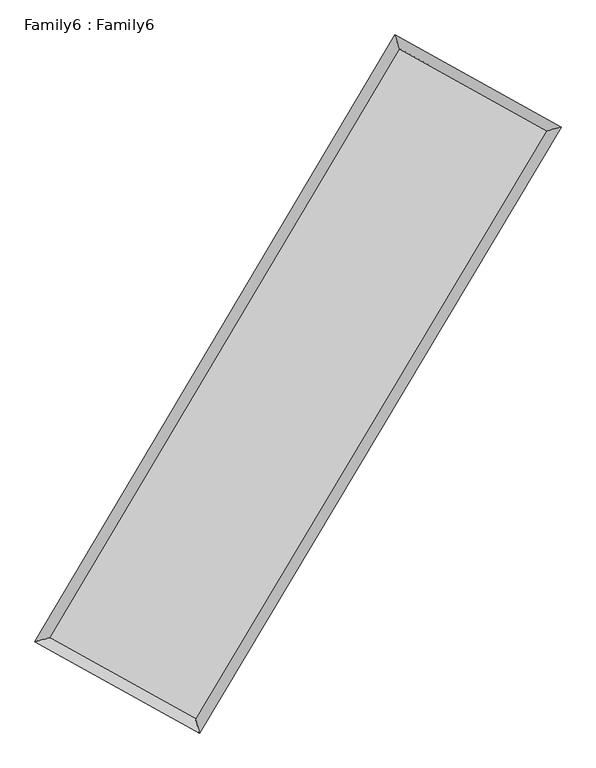
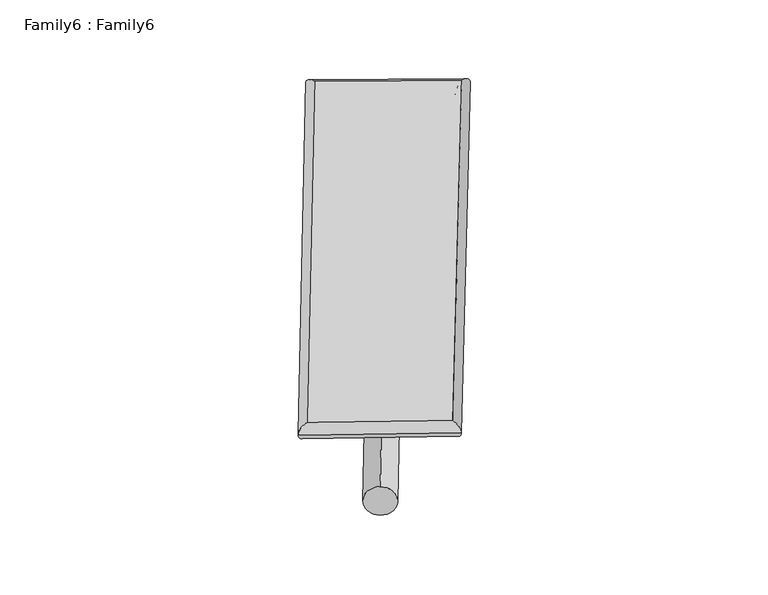
"""IFC4 building model written with IfcOpenShell, lengths in millimetres: plate geometry, Family6 : Family6."""

import ifcopenshell
import ifcopenshell.guid

model = None  # the IFC model being written
_history = None  # IfcOwnerHistory: only IFC2X3 demands one
_inside = {}  # id of a spatial element -> (the spatial element, [elements in it])
_under = {}  # id of a project, library or spatial element -> (it, [spatial elements below it])
_declared = {}  # id of a project -> (the project, [libraries it declares])
_typed = {}  # id of a type object -> (the type object, [elements of that type])
_made_of = {}  # id of a material, layer set ... -> (it, [elements and type objects made of it])


def new_model(schema):
    """Start an empty IFC model of exactly this schema.

    Asked for "IFC4X3", IfcOpenShell would pick the latest addendum, in which some entities
    have other attributes; the version numbers below select the first issue.
    IFC2X3 requires an IfcOwnerHistory on every rooted entity: one is made here for all.
    """
    global model, _history
    if schema == "IFC4X3":
        model = ifcopenshell.file(schema_version=(4, 3, 0, 0))
    else:
        model = ifcopenshell.file(schema=schema)
    _inside.clear()
    _under.clear()
    _declared.clear()
    _typed.clear()
    _made_of.clear()
    _history = None
    if model.schema == "IFC2X3":
        org = make("IfcOrganization", Name="unknown")
        user = make(
            "IfcPersonAndOrganization",
            ThePerson=make("IfcPerson", FamilyName="unknown"),
            TheOrganization=org,
        )
        app = make(
            "IfcApplication",
            ApplicationDeveloper=org,
            Version="unknown",
            ApplicationFullName="unknown",
            ApplicationIdentifier="unknown",
        )
        _history = make(
            "IfcOwnerHistory",
            OwningUser=user,
            OwningApplication=app,
            ChangeAction="ADDED",
            CreationDate=0,
        )
    return model


def make(cls, **values):
    """One entity of the class cls with the attributes given. An attribute that is None is left unset."""
    return model.create_entity(
        cls, **{name: value for name, value in values.items() if value is not None}
    )


def rooted(cls, **values):
    """An entity with a GlobalId (a new one), such as an element, a storey or a relation."""
    return make(cls, GlobalId=ifcopenshell.guid.new(), OwnerHistory=_history, **values)


def si_unit(unit_type, name, prefix=None):
    """IfcSIUnit, for example si_unit("LENGTHUNIT", "METRE", prefix="MILLI")."""
    return make("IfcSIUnit", UnitType=unit_type, Prefix=prefix, Name=name)


def assignment(units):
    """IfcUnitAssignment: the units of a project."""
    return None if units is None else make("IfcUnitAssignment", Units=units)


def point(xyz):
    """IfcCartesianPoint."""
    return None if xyz is None else make("IfcCartesianPoint", Coordinates=xyz)


def direction(xyz):
    """IfcDirection."""
    return None if xyz is None else make("IfcDirection", DirectionRatios=xyz)


def frame(location, z_axis=None, x_axis=None):
    """IfcAxis2Placement3D, a coordinate frame: its origin and axes. An axis left out is left unset."""
    return make(
        "IfcAxis2Placement3D",
        Location=point(location),
        Axis=direction(z_axis),
        RefDirection=direction(x_axis),
    )


def frame_2d(location, x_axis=None):
    """IfcAxis2Placement2D, a coordinate frame in the plane: its origin and x axis."""
    return make(
        "IfcAxis2Placement2D", Location=point(location), RefDirection=direction(x_axis)
    )


def origin():
    """The frame at (0, 0, 0) with its axes left unset."""
    return frame((0.0, 0.0, 0.0))


def origin_2d():
    """The frame at (0, 0) in the plane with its x axis left unset."""
    return frame_2d((0.0, 0.0))


def place(relative_to, where):
    """IfcLocalPlacement: puts the frame where relative to a parent placement (None: the world)."""
    return make(
        "IfcLocalPlacement", PlacementRelTo=relative_to, RelativePlacement=where
    )


def context(
    kind, dimensions, precision=None, world=None, true_north=None, identifier=None
):
    """IfcGeometricRepresentationContext, for example the 3D "Model" context."""
    return make(
        "IfcGeometricRepresentationContext",
        ContextIdentifier=identifier,
        ContextType=kind,
        CoordinateSpaceDimension=dimensions,
        Precision=precision,
        WorldCoordinateSystem=world,
        TrueNorth=true_north,
    )


def project(units=None, contexts=None):
    """IfcProject with its units and contexts."""
    return rooted(
        "IfcProject",
        Name="project",
        RepresentationContexts=contexts,
        UnitsInContext=assignment(units),
    )


def spatial(cls, under=None, at=None, **own):
    """A site, building, storey or space (cls), placed at a placement, below another one or the project."""
    s = rooted(cls, ObjectPlacement=at, **own)
    if under is not None:
        _under.setdefault(under.id(), (under, []))[1].append(s)
    return s


def circle_curve(where, radius):
    """IfcCircle in the frame where."""
    return make("IfcCircle", Position=where, Radius=radius)


def ellipse_curve(where, semi_axis1, semi_axis2):
    """IfcEllipse in the frame where."""
    return make(
        "IfcEllipse", Position=where, SemiAxis1=semi_axis1, SemiAxis2=semi_axis2
    )


def trimmed(basis, trim1, trim2, sense, master):
    """IfcTrimmedCurve: the piece of a basis curve between two trims."""
    return make(
        "IfcTrimmedCurve",
        BasisCurve=basis,
        Trim1=trim1,
        Trim2=trim2,
        SenseAgreement=sense,
        MasterRepresentation=master,
    )


def segment(curve, same_sense, transition):
    """IfcCompositeCurveSegment."""
    return make(
        "IfcCompositeCurveSegment",
        Transition=transition,
        SameSense=same_sense,
        ParentCurve=curve,
    )


def composite_curve(segments, self_intersect=None):
    """IfcCompositeCurve: segments joined end to end."""
    return make("IfcCompositeCurve", Segments=segments, SelfIntersect=self_intersect)


def outline(outer, holes=None, kind="AREA"):
    """IfcArbitraryClosedProfileDef: a profile drawn as a closed curve; with holes, ...WithVoids."""
    if holes is None:
        return make("IfcArbitraryClosedProfileDef", ProfileType=kind, OuterCurve=outer)
    return make(
        "IfcArbitraryProfileDefWithVoids",
        ProfileType=kind,
        OuterCurve=outer,
        InnerCurves=holes,
    )


def extrude(swept, where, along, depth):
    """IfcExtrudedAreaSolid: the profile swept, set in the frame where, extruded along a direction by depth."""
    return make(
        "IfcExtrudedAreaSolid",
        SweptArea=swept,
        Position=where,
        ExtrudedDirection=direction(along),
        Depth=depth,
    )


def shape(context_of_items, identifier, shape_type, items):
    """IfcShapeRepresentation: the items that make up one representation, for example the "Body"."""
    return make(
        "IfcShapeRepresentation",
        ContextOfItems=context_of_items,
        RepresentationIdentifier=identifier,
        RepresentationType=shape_type,
        Items=items,
    )


def source(mapping_origin, context_of_items, identifier, shape_type, items):
    """IfcRepresentationMap: a shape defined once, which mapped items show again and again."""
    return make(
        "IfcRepresentationMap",
        MappingOrigin=mapping_origin,
        MappedRepresentation=shape(context_of_items, identifier, shape_type, items),
    )


def transform(
    local_origin,
    x_axis=None,
    y_axis=None,
    z_axis=None,
    scale=None,
    scale2=None,
    scale3=None,
    uniform=True,
):
    """IfcCartesianTransformationOperator3D, or its non-uniform kind. x_axis, y_axis, z_axis: its Axis1, 2, 3."""
    if uniform:
        return make(
            "IfcCartesianTransformationOperator3D",
            Axis1=direction(x_axis),
            Axis2=direction(y_axis),
            LocalOrigin=point(local_origin),
            Scale=scale,
            Axis3=direction(z_axis),
        )
    return make(
        "IfcCartesianTransformationOperator3DnonUniform",
        Axis1=direction(x_axis),
        Axis2=direction(y_axis),
        LocalOrigin=point(local_origin),
        Scale=scale,
        Axis3=direction(z_axis),
        Scale2=scale2,
        Scale3=scale3,
    )


def mapped(mapping_source, mapping_target):
    """IfcMappedItem: shows the shape of a source again, moved by a transform."""
    return make(
        "IfcMappedItem", MappingSource=mapping_source, MappingTarget=mapping_target
    )


def made_of(thing, what):
    """Note that an element or type object is made of a material, layer set ...; save() writes the relation."""
    if what is not None:
        _made_of.setdefault(what.id(), (what, []))[1].append(thing)
    return thing


def element(
    cls,
    number,
    at=None,
    inside=None,
    cuts=None,
    type_object=None,
    material=None,
    context=None,
    identifier="Body",
    shape_type=None,
    held_by="IfcProductDefinitionShape",
    body=None,
    shapes=None,
    **own,
):
    """One element of the class cls, such as IfcWall. Its Tag is "e" and its number.

    at: its placement. inside: the storey or other place that contains it. cuts: it is an
    opening in that element (IfcRelVoidsElement). A single representation is given by context,
    identifier, shape_type and body (its items); several are given by shapes. held_by: the class
    of the entity that holds the representations. save() writes the other relations.
    """
    e = rooted(cls, Tag="e%d" % number, ObjectPlacement=at, **own)
    if body is not None:
        shapes = [shape(context, identifier, shape_type, body)]
    if shapes is not None:
        e.Representation = make(held_by, Representations=shapes)
    if inside is not None:
        _inside.setdefault(inside.id(), (inside, []))[1].append(e)
    if cuts is not None:
        rooted(
            "IfcRelVoidsElement", RelatingBuildingElement=cuts, RelatedOpeningElement=e
        )
    if type_object is not None:
        _typed.setdefault(type_object.id(), (type_object, []))[1].append(e)
    return made_of(e, material)


def aggregate(whole, parts):
    """IfcRelAggregates: a whole, such as a stair, and the parts it consists of."""
    return rooted("IfcRelAggregates", RelatingObject=whole, RelatedObjects=parts)


def save(model, path):
    """Write the relations noted so far, then the file.

    IfcRelAggregates (storeys below a building ...), IfcRelContainedInSpatialStructure (elements
    in a storey), IfcRelDefinesByType, IfcRelAssociatesMaterial and IfcRelDeclares: one each for
    every whole, place, type object, material and project.
    """
    for whole, parts in _under.values():
        aggregate(whole, parts)
    for where, things in _inside.values():
        rooted(
            "IfcRelContainedInSpatialStructure",
            RelatedElements=things,
            RelatingStructure=where,
        )
    for kind, things in _typed.values():
        rooted("IfcRelDefinesByType", RelatedObjects=things, RelatingType=kind)
    for what, things in _made_of.values():
        rooted("IfcRelAssociatesMaterial", RelatedObjects=things, RelatingMaterial=what)
    for by, libraries in _declared.values():
        rooted("IfcRelDeclares", RelatingContext=by, RelatedDefinitions=libraries)
    model.write(path)


def plane_surface(at):
    """IfcPlane: the flat surface through the origin of the frame at, square to its z axis."""
    return make("IfcPlane", Position=at)


def cylinder_surface(at, radius):
    """IfcCylindricalSurface: all points at the distance radius from the z axis of the frame at."""
    return make("IfcCylindricalSurface", Position=at, Radius=radius)


def spline_surface(u_degree, v_degree, points, u_multiplicities, v_multiplicities, u_knots, v_knots, weights=None):
    """IfcBSplineSurfaceWithKnots; with weights, IfcRationalBSplineSurfaceWithKnots. points: one row for each step in u."""
    own = dict(
        UDegree=u_degree,
        VDegree=v_degree,
        ControlPointsList=[[point(p) for p in row] for row in points],
        SurfaceForm="UNSPECIFIED",
        UClosed=False,
        VClosed=False,
        SelfIntersect=False,
        UMultiplicities=u_multiplicities,
        VMultiplicities=v_multiplicities,
        UKnots=u_knots,
        VKnots=v_knots,
        KnotSpec="UNSPECIFIED",
    )
    if weights is None:
        return make("IfcBSplineSurfaceWithKnots", **own)
    return make("IfcRationalBSplineSurfaceWithKnots", WeightsData=weights, **own)


def advanced_brep(points, edges, surfaces, faces):
    """IfcAdvancedBrep: a solid bounded by faces that lie on surfaces and meet in shared edges.

    An edge is (start, end): straight between two places in points (the first is 0);
    or (start, end, curve); or (start, end, curve, False) where it runs against its curve.
    A face is (place in surfaces, loops), or (place, loops, False) where it looks against
    its surface's normal. A loop lists edges by number (the first is 1), with a minus sign
    where the edge is run from its end to its start. The first loop is the outer one.
    """
    corners = [point(p) for p in points]
    vertices = [make("IfcVertexPoint", VertexGeometry=c) for c in corners]
    made = []
    for start, end, *more in edges:
        made.append(
            make(
                "IfcEdgeCurve",
                EdgeStart=vertices[start],
                EdgeEnd=vertices[end],
                EdgeGeometry=more[0] if more else make("IfcPolyline", Points=[corners[start], corners[end]]),
                SameSense=more[1] if len(more) > 1 else True,
            )
        )
    hull = []
    for where, loops, *sense in faces:
        bounds = []
        for j, loop in enumerate(loops):
            ring = [make("IfcOrientedEdge", EdgeElement=made[abs(k) - 1], Orientation=k > 0) for k in loop]
            bounds.append(
                make(
                    "IfcFaceOuterBound" if j == 0 else "IfcFaceBound",
                    Bound=make("IfcEdgeLoop", EdgeList=ring),
                    Orientation=True,
                )
            )
        hull.append(make("IfcAdvancedFace", Bounds=bounds, FaceSurface=surfaces[where], SameSense=sense[0] if sense else True))
    return make("IfcAdvancedBrep", Outer=make("IfcClosedShell", CfsFaces=hull))


def family6_family6_59e010dd(model_context):
    return source(origin(), model_context, "Body", "SolidModel", [
        extrude(outline(composite_curve([segment(trimmed(circle_curve(origin_2d(), 76.2), [point((-75.4341514, -10.7763074))], [point((75.4341514, 10.7763074))], False, "CARTESIAN"), True, "CONTINUOUS"), segment(trimmed(circle_curve(origin_2d(), 76.2), [point((75.4341514, 10.7763074))], [point((-75.4341514, -10.7763074))], False, "CARTESIAN"), True, "CONTINUOUS")], self_intersect=False)), frame((9144.0, 9144.0, 0.0), z_axis=(0.6758118636758191, 0.685569565758876, 0.27068929683347775), x_axis=(-0.6774974310205159, 0.7224238464006809, -0.1382064293448278)), (0.0, 0.0, 1.0), 5602.5136506),
        extrude(outline(composite_curve([segment(trimmed(circle_curve(origin_2d(), 76.2), [point((-53.8815367, 53.8815367))], [point((53.8815367, -53.8815367))], False, "CARTESIAN"), True, "CONTINUOUS"), segment(trimmed(circle_curve(origin_2d(), 76.2), [point((53.8815367, -53.8815367))], [point((-53.8815367, 53.8815367))], False, "CARTESIAN"), True, "CONTINUOUS")], self_intersect=False)), frame((9144.0, 9144.0, 0.0), z_axis=(-0.6743221811814417, -0.6870132030666688, 0.2707442608418119), x_axis=(0.6397855085287936, -0.3604688928159867, 0.6787758690382045)), (0.0, 0.0, 1.0), 5600.9750406),
        extrude(outline(composite_curve([segment(trimmed(circle_curve(origin_2d(), 76.2), [point((-53.8815367, -53.8815367))], [point((53.8815367, 53.8815367))], False, "CARTESIAN"), True, "CONTINUOUS"), segment(trimmed(circle_curve(origin_2d(), 76.2), [point((53.8815367, 53.8815367))], [point((-53.8815367, -53.8815367))], False, "CARTESIAN"), True, "CONTINUOUS")], self_intersect=False)), frame((9144.0, 9144.0, 0.0), z_axis=(0.27743200131910734, 0.9201807011062115, 0.27622266734603085), x_axis=(-0.8396648767780401, 0.3719526516637216, -0.3957450184470361)), (0.0, 0.0, 1.0), 5533.1061017),
        extrude(outline(composite_curve([segment(trimmed(circle_curve(origin_2d(), 76.2), [point((-75.4341514, 10.7763074))], [point((75.4341514, -10.7763074))], False, "CARTESIAN"), True, "CONTINUOUS"), segment(trimmed(circle_curve(origin_2d(), 76.2), [point((75.4341514, -10.7763074))], [point((-75.4341514, 10.7763074))], False, "CARTESIAN"), True, "CONTINUOUS")], self_intersect=False)), frame((9144.0, 9144.0, 0.0), z_axis=(-0.27941963521202706, -0.9195422020805923, 0.2763454469513711), x_axis=(0.8766923917579821, -0.12695645779432574, 0.4639962371161934)), (0.0, 0.0, 1.0), 5530.4747183),
        advanced_brep(
        [(5155.9245869, 5238.9338253, 1517.3533994), (5578.356682, 5353.1853865, 1517.6362327), (5578.3520008, 5353.1785688, 1515.5102954), (10734.4545655, 14030.3515806, 1527.0976003), (10623.6668331, 14440.5633234, 1529.6410519), (5155.9199057, 5238.9270076, 1515.227462), (12718.7701166, 12928.0540529, 1516.6710172), (13141.7202663, 13041.7716482, 1516.4099439), (7543.5184716, 4263.3508144, 1528.1066354), (7653.8350718, 3853.6393836, 1528.5363803)],
        [
            (0, 1, ellipse_curve(frame((5367.1382939, 5296.056197, 1516.4318474), z_axis=(-0.2610785286643572, 0.9653142739526408, -0.0025207883172624758), x_axis=(-0.9653067742112483, -0.2610870674127254, -0.0040465901320833955)), 218.8115863, 152.4)),
            (1, 2, ellipse_curve(frame((5367.1382939, 5296.056197, 1516.4318474), z_axis=(-0.2610785286643572, 0.9653142739526408, -0.0025207883172624758), x_axis=(-0.9653067742112483, -0.2610870674127254, -0.0040465901320833955)), 218.8115863, 152.4)),
            (2, 3),
            (3, 4, ellipse_curve(frame((10679.0606993, 14235.457452, 1528.3693261), z_axis=(-0.9654044477149798, -0.26074601624598226, 0.0024015295094766465), x_axis=(0.26073500281708767, -0.9654016176199679, -0.004120073145302325)), 212.4586182, 152.4)),
            (4, 0),
            (2, 5, ellipse_curve(frame((5367.1382939, 5296.056197, 1516.4318474), z_axis=(-0.2610785286643572, 0.9653142739526408, -0.0025207883172624758), x_axis=(-0.9653067742112483, -0.2610870674127254, -0.0040465901320833955)), 218.8115863, 152.4)),
            (5, 0, ellipse_curve(frame((5367.1382939, 5296.056197, 1516.4318474), z_axis=(-0.2610785286643572, 0.9653142739526408, -0.0025207883172624758), x_axis=(-0.9653067742112483, -0.2610870674127254, -0.0040465901320833955)), 218.8115863, 152.4)),
            (4, 3, ellipse_curve(frame((10679.0606993, 14235.457452, 1528.3693261), z_axis=(-0.9654044477149798, -0.26074601624598226, 0.0024015295094766465), x_axis=(0.26073500281708767, -0.9654016176199679, -0.004120073145302325)), 212.4586182, 152.4)),
            (3, 6),
            (6, 7, ellipse_curve(frame((12930.2451915, 12984.9128506, 1516.5404806), z_axis=(-0.25964422246007673, 0.9657011428614696, 0.0024860448816851634), x_axis=(-0.9656938773519769, -0.25965253325201004, 0.003987131891325843)), 218.986836, 152.4)),
            (7, 4),
            (7, 6, ellipse_curve(frame((12930.2451915, 12984.9128506, 1516.5404806), z_axis=(-0.25964422246007673, 0.9657011428614696, 0.0024860448816851634), x_axis=(-0.9656938773519769, -0.25965253325201004, 0.003987131891325843)), 218.986836, 152.4)),
            (6, 8),
            (8, 9, ellipse_curve(frame((7598.6767717, 4058.495099, 1528.3215079), z_axis=(0.9656064783132712, 0.25999635505879043, 0.0024544644192590454), x_axis=(-0.2599850181171927, 0.9656036756419635, -0.0041631648217474605)), 212.1526981, 152.4)),
            (9, 7),
            (9, 8, ellipse_curve(frame((7598.6767717, 4058.495099, 1528.3215079), z_axis=(0.9656064783132712, 0.25999635505879043, 0.0024544644192590454), x_axis=(-0.2599850181171927, 0.9656036756419635, -0.0041631648217474605)), 212.1526981, 152.4)),
            (8, 1),
            (5, 9),
        ],
        [
            cylinder_surface(frame((5367.1382939, 5296.056197, 1516.4318474), z_axis=(-0.5108336652499432, -0.8596788054572125, -0.0011479960666999512), x_axis=(-0.8596611449297097, 0.5108135168822153, 0.007229582876177085)), 152.4),
            cylinder_surface(frame((10679.0606993, 14235.457452, 1528.3693261), z_axis=(-0.8741667559669435, 0.48560414360323123, 0.004593307915078676), x_axis=(0.4856211973758367, 0.8741607257256081, 0.003883073285019234)), 152.4),
            cylinder_surface(frame((12930.2451915, 12984.9128506, 1516.5404806), z_axis=(0.5127771835847857, 0.8585209817741655, -0.001133070332271699), x_axis=(0.8585216725645254, -0.5127771835847857, 0.00031262096015247006)), 152.4),
            cylinder_surface(frame((7598.6767717, 4058.495099, 1528.3215079), z_axis=(0.8745106390056985, -0.48498395049717224, 0.0046594018931034615), x_axis=(-0.484974239457773, -0.8745229340610563, -0.003102396427923583)), 152.4),
        ],
        [
            (0, [[1, 2, 3, 4, 5]]),
            (0, [[6, 7, -5, 8, -3]]),
            (1, [[-4, 9, 10, 11]]),
            (1, [[-8, -11, 12, -9]]),
            (2, [[-10, 13, 14, 15]]),
            (2, [[-12, -15, 16, -13]]),
            (3, [[-14, 17, -1, -7, 18]]),
            (3, [[-16, -18, -6, -2, -17]]),
        ],
    ),
        extrude(outline(composite_curve([segment(trimmed(circle_curve(origin_2d(), 304.8), [point((0.0, 304.8))], [point((0.0, -304.8))], False, "CARTESIAN"), True, "CONTINUOUS"), segment(trimmed(circle_curve(origin_2d(), 304.8), [point((0.0, -304.8))], [point((0.0, 304.8))], False, "CARTESIAN"), True, "CONTINUOUS")], self_intersect=False)), frame((11810.854129, 13635.7304586, -0.0004859), z_axis=(-0.5105230675449678, -0.859864057572165, 9.30162279631302e-08), x_axis=(-0.8598640575721697, 0.5105230675449678, -2.553247364390055e-08)), (0.0, 0.0, 1.0), 10447.5362565),
        advanced_brep(
        [(5367.1382939, 5296.056197, 1516.4318474), (7598.6767717, 4058.495099, 1528.3215079), (7598.6774355, 4058.4933513, 1680.7215079), (5367.1389577, 5296.0544493, 1668.8318474), (12930.2451915, 12984.9128506, 1516.5404806), (12930.2458553, 12984.9111029, 1668.9404806), (10679.0606993, 14235.457452, 1528.3693261), (10679.0613631, 14235.4557043, 1680.7693261)],
        [
            (0, 1),
            (1, 2),
            (2, 3),
            (3, 0),
            (1, 4),
            (4, 5),
            (5, 2),
            (4, 6),
            (6, 7),
            (7, 5),
            (6, 0),
            (3, 7),
        ],
        [
            plane_surface(frame((6482.9075328, 4677.275648, 1522.3766776), z_axis=(-0.48498918281650855, -0.8745201498469339, -7.916558776593745e-06), x_axis=(0.8745106390056984, -0.4849839504971725, 0.004659401893103459))),
            plane_surface(frame((10264.4609816, 8521.7039748, 1522.4309942), z_axis=(0.8585215272510045, -0.5127775220834654, -9.620004083269536e-06), x_axis=(0.5127771835847861, 0.8585209817741655, -0.0011330703322717033))),
            plane_surface(frame((11804.6529454, 13610.1851513, 1522.4549034), z_axis=(0.48560929818464615, 0.8741759602357234, 7.909910573931749e-06), x_axis=(-0.8741667559669433, 0.48560414360323184, 0.004593307915078675))),
            plane_surface(frame((8023.0994966, 9765.7568245, 1522.4005867), z_axis=(-0.8596793775327234, 0.5108339923622314, 9.60275886770657e-06), x_axis=(-0.5108336652499437, -0.8596788054572122, -0.0011479960666999508))),
            spline_surface(1, 1, [[(7598.6774355, 4058.4933513, 1680.7215079), (5367.1389577, 5296.0544493, 1668.8318474)], [(12930.2458553, 12984.9111029, 1668.9404806), (10679.0613631, 14235.4557043, 1680.7693261)]], [2, 2], [2, 2], [0.0, 1.0], [0.0, 1.0]),
            spline_surface(1, 1, [[(10679.0606993, 14235.457452, 1528.3693261), (5367.1382939, 5296.056197, 1516.4318474)], [(12930.2451915, 12984.9128506, 1516.5404806), (7598.6767717, 4058.495099, 1528.3215079)]], [2, 2], [2, 2], [0.0, 1.0], [0.0, 1.0]),
        ],
        [
            (0, [[1, 2, 3, 4]]),
            (1, [[5, 6, 7, -2]]),
            (2, [[8, 9, 10, -6]]),
            (3, [[11, -4, 12, -9]]),
            (4, [[-3, -7, -10, -12]]),
            (5, [[-11, -8, -5, -1]]),
        ],
    ),
    ])


if __name__ == "__main__":
    model = new_model("IFC4")
    model_context = context("Model", 3, world=origin())
    ifc_project = project(units=[si_unit("LENGTHUNIT", "METRE", prefix="MILLI")], contexts=[model_context])
    site = spatial("IfcSite", under=ifc_project)
    building = spatial("IfcBuilding", under=site)
    placement = place(None, origin())
    family6_family6_shape = family6_family6_59e010dd(model_context)
    element("IfcPlate", 1, ObjectType="Family6 : Family6", at=placement, inside=building, context=model_context, shape_type="MappedRepresentation", body=[
        mapped(family6_family6_shape, transform((0.0, 0.0, 0.0), x_axis=(1.0, 0.0, 0.0), y_axis=(0.0, 1.0, 0.0), z_axis=(0.0, 0.0, 1.0))),
    ])
    save(model, "model.ifc")
